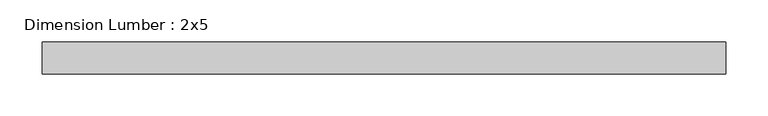
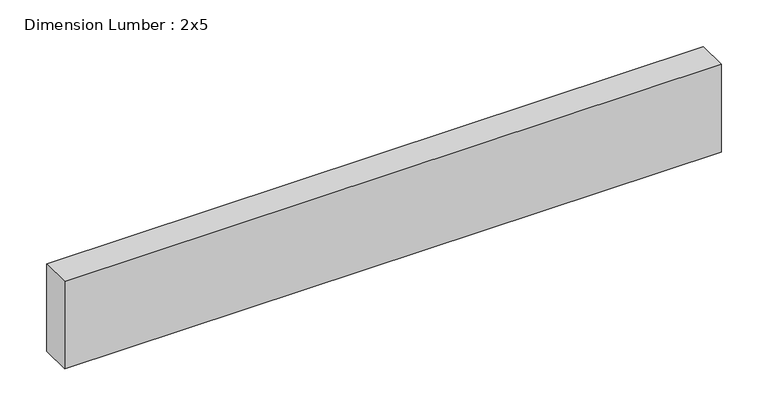
"""IFC4 building model written with IfcOpenShell, lengths in millimetres: beam geometry, Dimension Lumber : 2x5."""

from ifc_helpers import new_model, si_unit, frame, origin, place, context, project, spatial, polyline, outline, extrude, source, transform, mapped, element, save


def dimension_lumber_2x5_fe3dff2c(model_context):
    return source(origin(), model_context, "Body", "SweptSolid", [
        extrude(outline(polyline([(405.3861352, 19.05), (405.3861352, -19.05), (-405.3861352, -19.05), (-405.3861352, 19.05), (405.3861352, 19.05)])), frame((0.0, 0.0, -57.15), z_axis=(0.0, 0.0, 1.0), x_axis=(1.0, 0.0, 0.0)), (0.0, 0.0, 1.0), 114.3),
    ])


if __name__ == "__main__":
    model = new_model("IFC4")
    model_context = context("Model", 3, world=origin())
    ifc_project = project(units=[si_unit("LENGTHUNIT", "METRE", prefix="MILLI")], contexts=[model_context])
    site = spatial("IfcSite", under=ifc_project)
    building = spatial("IfcBuilding", under=site)
    placement = place(None, origin())
    dimension_lumber_2x5_shape = dimension_lumber_2x5_fe3dff2c(model_context)
    element("IfcBeam", 1, ObjectType="Dimension Lumber : 2x5", at=placement, inside=building, context=model_context, shape_type="MappedRepresentation", body=[
        mapped(dimension_lumber_2x5_shape, transform((0.0, 0.0, 0.0), x_axis=(1.0, 0.0, 0.0), y_axis=(0.0, 1.0, 0.0), z_axis=(0.0, 0.0, 1.0))),
    ])
    save(model, "model.ifc")
